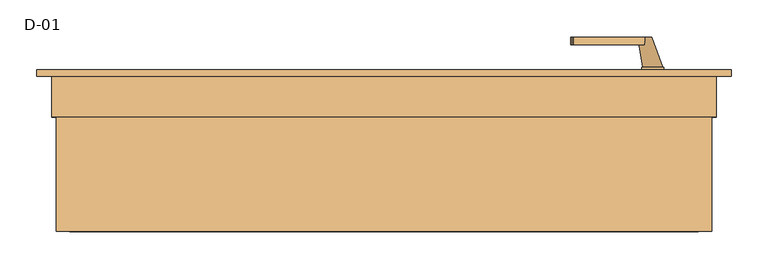
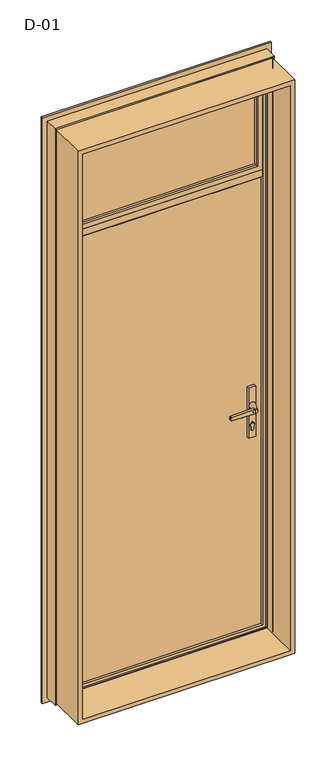
"""IFC4 building model written with IfcOpenShell, lengths in millimetres: door geometry, D-01."""

import ifcopenshell
import ifcopenshell.guid

model = None  # the IFC model being written
_history = None  # IfcOwnerHistory: only IFC2X3 demands one
_inside = {}  # id of a spatial element -> (the spatial element, [elements in it])
_under = {}  # id of a project, library or spatial element -> (it, [spatial elements below it])
_declared = {}  # id of a project -> (the project, [libraries it declares])
_typed = {}  # id of a type object -> (the type object, [elements of that type])
_made_of = {}  # id of a material, layer set ... -> (it, [elements and type objects made of it])


def new_model(schema):
    """Start an empty IFC model of exactly this schema.

    Asked for "IFC4X3", IfcOpenShell would pick the latest addendum, in which some entities
    have other attributes; the version numbers below select the first issue.
    IFC2X3 requires an IfcOwnerHistory on every rooted entity: one is made here for all.
    """
    global model, _history
    if schema == "IFC4X3":
        model = ifcopenshell.file(schema_version=(4, 3, 0, 0))
    else:
        model = ifcopenshell.file(schema=schema)
    _inside.clear()
    _under.clear()
    _declared.clear()
    _typed.clear()
    _made_of.clear()
    _history = None
    if model.schema == "IFC2X3":
        org = make("IfcOrganization", Name="unknown")
        user = make(
            "IfcPersonAndOrganization",
            ThePerson=make("IfcPerson", FamilyName="unknown"),
            TheOrganization=org,
        )
        app = make(
            "IfcApplication",
            ApplicationDeveloper=org,
            Version="unknown",
            ApplicationFullName="unknown",
            ApplicationIdentifier="unknown",
        )
        _history = make(
            "IfcOwnerHistory",
            OwningUser=user,
            OwningApplication=app,
            ChangeAction="ADDED",
            CreationDate=0,
        )
    return model


def make(cls, **values):
    """One entity of the class cls with the attributes given. An attribute that is None is left unset."""
    return model.create_entity(
        cls, **{name: value for name, value in values.items() if value is not None}
    )


def rooted(cls, **values):
    """An entity with a GlobalId (a new one), such as an element, a storey or a relation."""
    return make(cls, GlobalId=ifcopenshell.guid.new(), OwnerHistory=_history, **values)


def si_unit(unit_type, name, prefix=None):
    """IfcSIUnit, for example si_unit("LENGTHUNIT", "METRE", prefix="MILLI")."""
    return make("IfcSIUnit", UnitType=unit_type, Prefix=prefix, Name=name)


def assignment(units):
    """IfcUnitAssignment: the units of a project."""
    return None if units is None else make("IfcUnitAssignment", Units=units)


def point(xyz):
    """IfcCartesianPoint."""
    return None if xyz is None else make("IfcCartesianPoint", Coordinates=xyz)


def direction(xyz):
    """IfcDirection."""
    return None if xyz is None else make("IfcDirection", DirectionRatios=xyz)


def frame(location, z_axis=None, x_axis=None):
    """IfcAxis2Placement3D, a coordinate frame: its origin and axes. An axis left out is left unset."""
    return make(
        "IfcAxis2Placement3D",
        Location=point(location),
        Axis=direction(z_axis),
        RefDirection=direction(x_axis),
    )


def frame_2d(location, x_axis=None):
    """IfcAxis2Placement2D, a coordinate frame in the plane: its origin and x axis."""
    return make(
        "IfcAxis2Placement2D", Location=point(location), RefDirection=direction(x_axis)
    )


def origin():
    """The frame at (0, 0, 0) with its axes left unset."""
    return frame((0.0, 0.0, 0.0))


def place(relative_to, where):
    """IfcLocalPlacement: puts the frame where relative to a parent placement (None: the world)."""
    return make(
        "IfcLocalPlacement", PlacementRelTo=relative_to, RelativePlacement=where
    )


def context(
    kind, dimensions, precision=None, world=None, true_north=None, identifier=None
):
    """IfcGeometricRepresentationContext, for example the 3D "Model" context."""
    return make(
        "IfcGeometricRepresentationContext",
        ContextIdentifier=identifier,
        ContextType=kind,
        CoordinateSpaceDimension=dimensions,
        Precision=precision,
        WorldCoordinateSystem=world,
        TrueNorth=true_north,
    )


def project(units=None, contexts=None):
    """IfcProject with its units and contexts."""
    return rooted(
        "IfcProject",
        Name="project",
        RepresentationContexts=contexts,
        UnitsInContext=assignment(units),
    )


def spatial(cls, under=None, at=None, **own):
    """A site, building, storey or space (cls), placed at a placement, below another one or the project."""
    s = rooted(cls, ObjectPlacement=at, **own)
    if under is not None:
        _under.setdefault(under.id(), (under, []))[1].append(s)
    return s


def polyline(points):
    """IfcPolyline through the points."""
    return make("IfcPolyline", Points=[point(p) for p in points])


def circle_curve(where, radius):
    """IfcCircle in the frame where."""
    return make("IfcCircle", Position=where, Radius=radius)


def ellipse_curve(where, semi_axis1, semi_axis2):
    """IfcEllipse in the frame where."""
    return make(
        "IfcEllipse", Position=where, SemiAxis1=semi_axis1, SemiAxis2=semi_axis2
    )


def trimmed(basis, trim1, trim2, sense, master):
    """IfcTrimmedCurve: the piece of a basis curve between two trims."""
    return make(
        "IfcTrimmedCurve",
        BasisCurve=basis,
        Trim1=trim1,
        Trim2=trim2,
        SenseAgreement=sense,
        MasterRepresentation=master,
    )


def segment(curve, same_sense, transition):
    """IfcCompositeCurveSegment."""
    return make(
        "IfcCompositeCurveSegment",
        Transition=transition,
        SameSense=same_sense,
        ParentCurve=curve,
    )


def composite_curve(segments, self_intersect=None):
    """IfcCompositeCurve: segments joined end to end."""
    return make("IfcCompositeCurve", Segments=segments, SelfIntersect=self_intersect)


def outline(outer, holes=None, kind="AREA"):
    """IfcArbitraryClosedProfileDef: a profile drawn as a closed curve; with holes, ...WithVoids."""
    if holes is None:
        return make("IfcArbitraryClosedProfileDef", ProfileType=kind, OuterCurve=outer)
    return make(
        "IfcArbitraryProfileDefWithVoids",
        ProfileType=kind,
        OuterCurve=outer,
        InnerCurves=holes,
    )


def extrude(swept, where, along, depth):
    """IfcExtrudedAreaSolid: the profile swept, set in the frame where, extruded along a direction by depth."""
    return make(
        "IfcExtrudedAreaSolid",
        SweptArea=swept,
        Position=where,
        ExtrudedDirection=direction(along),
        Depth=depth,
    )


def shape(context_of_items, identifier, shape_type, items):
    """IfcShapeRepresentation: the items that make up one representation, for example the "Body"."""
    return make(
        "IfcShapeRepresentation",
        ContextOfItems=context_of_items,
        RepresentationIdentifier=identifier,
        RepresentationType=shape_type,
        Items=items,
    )


def source(mapping_origin, context_of_items, identifier, shape_type, items):
    """IfcRepresentationMap: a shape defined once, which mapped items show again and again."""
    return make(
        "IfcRepresentationMap",
        MappingOrigin=mapping_origin,
        MappedRepresentation=shape(context_of_items, identifier, shape_type, items),
    )


def transform(
    local_origin,
    x_axis=None,
    y_axis=None,
    z_axis=None,
    scale=None,
    scale2=None,
    scale3=None,
    uniform=True,
):
    """IfcCartesianTransformationOperator3D, or its non-uniform kind. x_axis, y_axis, z_axis: its Axis1, 2, 3."""
    if uniform:
        return make(
            "IfcCartesianTransformationOperator3D",
            Axis1=direction(x_axis),
            Axis2=direction(y_axis),
            LocalOrigin=point(local_origin),
            Scale=scale,
            Axis3=direction(z_axis),
        )
    return make(
        "IfcCartesianTransformationOperator3DnonUniform",
        Axis1=direction(x_axis),
        Axis2=direction(y_axis),
        LocalOrigin=point(local_origin),
        Scale=scale,
        Axis3=direction(z_axis),
        Scale2=scale2,
        Scale3=scale3,
    )


def mapped(mapping_source, mapping_target):
    """IfcMappedItem: shows the shape of a source again, moved by a transform."""
    return make(
        "IfcMappedItem", MappingSource=mapping_source, MappingTarget=mapping_target
    )


def made_of(thing, what):
    """Note that an element or type object is made of a material, layer set ...; save() writes the relation."""
    if what is not None:
        _made_of.setdefault(what.id(), (what, []))[1].append(thing)
    return thing


def element(
    cls,
    number,
    at=None,
    inside=None,
    cuts=None,
    type_object=None,
    material=None,
    context=None,
    identifier="Body",
    shape_type=None,
    held_by="IfcProductDefinitionShape",
    body=None,
    shapes=None,
    **own,
):
    """One element of the class cls, such as IfcWall. Its Tag is "e" and its number.

    at: its placement. inside: the storey or other place that contains it. cuts: it is an
    opening in that element (IfcRelVoidsElement). A single representation is given by context,
    identifier, shape_type and body (its items); several are given by shapes. held_by: the class
    of the entity that holds the representations. save() writes the other relations.
    """
    e = rooted(cls, Tag="e%d" % number, ObjectPlacement=at, **own)
    if body is not None:
        shapes = [shape(context, identifier, shape_type, body)]
    if shapes is not None:
        e.Representation = make(held_by, Representations=shapes)
    if inside is not None:
        _inside.setdefault(inside.id(), (inside, []))[1].append(e)
    if cuts is not None:
        rooted(
            "IfcRelVoidsElement", RelatingBuildingElement=cuts, RelatedOpeningElement=e
        )
    if type_object is not None:
        _typed.setdefault(type_object.id(), (type_object, []))[1].append(e)
    return made_of(e, material)


def aggregate(whole, parts):
    """IfcRelAggregates: a whole, such as a stair, and the parts it consists of."""
    return rooted("IfcRelAggregates", RelatingObject=whole, RelatedObjects=parts)


def save(model, path):
    """Write the relations noted so far, then the file.

    IfcRelAggregates (storeys below a building ...), IfcRelContainedInSpatialStructure (elements
    in a storey), IfcRelDefinesByType, IfcRelAssociatesMaterial and IfcRelDeclares: one each for
    every whole, place, type object, material and project.
    """
    for whole, parts in _under.values():
        aggregate(whole, parts)
    for where, things in _inside.values():
        rooted(
            "IfcRelContainedInSpatialStructure",
            RelatedElements=things,
            RelatingStructure=where,
        )
    for kind, things in _typed.values():
        rooted("IfcRelDefinesByType", RelatedObjects=things, RelatingType=kind)
    for what, things in _made_of.values():
        rooted("IfcRelAssociatesMaterial", RelatedObjects=things, RelatingMaterial=what)
    for by, libraries in _declared.values():
        rooted("IfcRelDeclares", RelatingContext=by, RelatedDefinitions=libraries)
    model.write(path)


def plane_surface(at):
    """IfcPlane: the flat surface through the origin of the frame at, square to its z axis."""
    return make("IfcPlane", Position=at)


def cylinder_surface(at, radius):
    """IfcCylindricalSurface: all points at the distance radius from the z axis of the frame at."""
    return make("IfcCylindricalSurface", Position=at, Radius=radius)


def revolved_surface(curve, axis_point, axis_direction):
    """IfcSurfaceOfRevolution: the curve turned about the line through axis_point along axis_direction."""
    return make(
        "IfcSurfaceOfRevolution",
        SweptCurve=make("IfcArbitraryOpenProfileDef", ProfileType="CURVE", Curve=curve),
        AxisPosition=make("IfcAxis1Placement", Location=point(axis_point), Axis=direction(axis_direction)),
    )


def spline_surface(u_degree, v_degree, points, u_multiplicities, v_multiplicities, u_knots, v_knots, weights=None):
    """IfcBSplineSurfaceWithKnots; with weights, IfcRationalBSplineSurfaceWithKnots. points: one row for each step in u."""
    own = dict(
        UDegree=u_degree,
        VDegree=v_degree,
        ControlPointsList=[[point(p) for p in row] for row in points],
        SurfaceForm="UNSPECIFIED",
        UClosed=False,
        VClosed=False,
        SelfIntersect=False,
        UMultiplicities=u_multiplicities,
        VMultiplicities=v_multiplicities,
        UKnots=u_knots,
        VKnots=v_knots,
        KnotSpec="UNSPECIFIED",
    )
    if weights is None:
        return make("IfcBSplineSurfaceWithKnots", **own)
    return make("IfcRationalBSplineSurfaceWithKnots", WeightsData=weights, **own)


def advanced_brep(points, edges, surfaces, faces):
    """IfcAdvancedBrep: a solid bounded by faces that lie on surfaces and meet in shared edges.

    An edge is (start, end): straight between two places in points (the first is 0);
    or (start, end, curve); or (start, end, curve, False) where it runs against its curve.
    A face is (place in surfaces, loops), or (place, loops, False) where it looks against
    its surface's normal. A loop lists edges by number (the first is 1), with a minus sign
    where the edge is run from its end to its start. The first loop is the outer one.
    """
    corners = [point(p) for p in points]
    vertices = [make("IfcVertexPoint", VertexGeometry=c) for c in corners]
    made = []
    for start, end, *more in edges:
        made.append(
            make(
                "IfcEdgeCurve",
                EdgeStart=vertices[start],
                EdgeEnd=vertices[end],
                EdgeGeometry=more[0] if more else make("IfcPolyline", Points=[corners[start], corners[end]]),
                SameSense=more[1] if len(more) > 1 else True,
            )
        )
    hull = []
    for where, loops, *sense in faces:
        bounds = []
        for j, loop in enumerate(loops):
            ring = [make("IfcOrientedEdge", EdgeElement=made[abs(k) - 1], Orientation=k > 0) for k in loop]
            bounds.append(
                make(
                    "IfcFaceOuterBound" if j == 0 else "IfcFaceBound",
                    Bound=make("IfcEdgeLoop", EdgeList=ring),
                    Orientation=True,
                )
            )
        hull.append(make("IfcAdvancedFace", Bounds=bounds, FaceSurface=surfaces[where], SameSense=sense[0] if sense else True))
    return make("IfcAdvancedBrep", Outer=make("IfcClosedShell", CfsFaces=hull))


def d_01_50da0c1a(model_context):
    return source(origin(), model_context, "Body", "SolidModel", [
        extrude(outline(polyline([(403.0, 113.6071222), (403.0, 87.6071222), (-403.0, 87.6071222), (-403.0, 113.6071222), (403.0, 113.6071222)])), frame((0.0, 0.0, 2022.0), z_axis=(0.0, 0.0, 1.0), x_axis=(1.0, 0.0, 0.0)), (0.0, 0.0, 1.0), 431.0),
        extrude(outline(polyline([(2493.8, 443.8), (2493.8, -443.8), (6.2, -443.8), (6.2, 443.8), (2493.8, 443.8)]), holes=[polyline([(24.7, 425.3), (24.7, -425.3), (2475.3, -425.3), (2475.3, 425.3), (24.7, 425.3)])]), frame((0.0, -100.0, 0.0), z_axis=(0.0, 1.0, 0.0), x_axis=(0.0, 0.0, 1.0)), (0.0, 0.0, 1.0), 165.9999813),
        advanced_brep(
        [(390.0, 80.27702, 2440.0), (387.8575034, 87.6071222, 2437.8575034), (387.8575034, 87.6071222, 2037.1424966), (390.0, 80.27702, 2035.0), (410.0, 87.6071222, 2015.0), (-410.0, 87.6071222, 2015.0), (-410.0, 87.6071222, 2460.0), (410.0, 87.6071222, 2460.0), (-387.8575034, 87.6071222, 2437.8575034), (-387.8575034, 87.6071222, 2037.1424966), (-390.0, 80.27702, 2035.0), (390.0, 68.9999298, 2440.0), (390.0, 68.9999298, 2035.0), (-390.0, 68.9999298, 2035.0), (410.0, 68.9999298, 2460.0), (-410.0, 68.9999298, 2460.0), (-410.0, 68.9999298, 2015.0), (410.0, 68.9999298, 2015.0), (-390.0, 68.9999298, 2440.0), (-390.0, 80.27702, 2440.0)],
        [
            (0, 1, ellipse_curve(frame((370.3925883, 78.5241839, 2420.3925883), z_axis=(-0.7071067811865475, 0.0, 0.7071067811865475), x_axis=(-0.7071067811865474, 0.0, -0.7071067811865476)), 27.839649, 19.6856046)),
            (1, 2),
            (2, 3, ellipse_curve(frame((370.3925883, 78.5241839, 2054.6074117), z_axis=(-0.7071067811865475, 0.0, -0.7071067811865475), x_axis=(0.7071067811865474, 0.0, -0.7071067811865476)), 27.839649, 19.6856046)),
            (3, 0),
            (4, 5),
            (5, 6),
            (6, 7),
            (7, 4),
            (1, 8),
            (8, 9),
            (9, 2),
            (9, 10, ellipse_curve(frame((-370.3925883, 78.5241839, 2054.6074117), z_axis=(-0.7071067811865475, 0.0, 0.7071067811865475), x_axis=(-0.7071067811865476, 0.0, -0.7071067811865474)), 27.839649, 19.6856046)),
            (10, 3),
            (11, 0),
            (3, 12),
            (12, 11),
            (10, 13),
            (13, 12),
            (14, 15),
            (15, 16),
            (16, 17),
            (17, 14),
            (13, 18),
            (18, 11),
            (7, 14),
            (17, 4),
            (16, 5),
            (8, 19, ellipse_curve(frame((-370.3925883, 78.5241839, 2420.3925883), z_axis=(0.7071067811865475, 0.0, 0.7071067811865475), x_axis=(-0.7071067811865474, 0.0, 0.7071067811865476)), 27.839649, 19.6856046)),
            (19, 10),
            (19, 18),
            (15, 6),
            (0, 19),
        ],
        [
            revolved_surface(polyline([(390.0781929, 78.5241839, 2034.9218071062464), (390.0781929, 78.5241839, 2440.0781928937536)]), (370.3925883, 78.5241839, 2460.0), (0.0, 0.0, -1.0)),
            plane_surface(frame((-410.0, 87.6071222, 2460.0), z_axis=(0.0, 1.0, 0.0), x_axis=(1.0, 0.0, 0.0))),
            revolved_surface(polyline([(-390.0781928937532, 78.5241839, 2034.9218070999998), (390.0781928937533, 78.5241839, 2034.9218070999998)]), (410.0, 78.5241839, 2054.6074117), (-1.0, 0.0, 0.0)),
            plane_surface(frame((390.0, 80.27702, 2440.0), z_axis=(-1.0, 0.0, 0.0), x_axis=(0.0, 0.0, -1.0))),
            plane_surface(frame((390.0, 80.27702, 2035.0), z_axis=(0.0, 0.0, 1.0), x_axis=(-1.0, 0.0, 0.0))),
            plane_surface(frame((-390.0, 68.9999298, 2440.0), z_axis=(0.0, -1.0, 0.0), x_axis=(1.0, 0.0, 0.0))),
            plane_surface(frame((410.0, 68.9999298, 2460.0), z_axis=(1.0, 0.0, 0.0), x_axis=(0.0, 0.0, -1.0))),
            plane_surface(frame((410.0, 68.9999298, 2015.0), z_axis=(0.0, 0.0, -1.0), x_axis=(-1.0, 0.0, 0.0))),
            revolved_surface(polyline([(-390.0781929, 78.5241839, 2440.0781928937536), (-390.0781929, 78.5241839, 2034.9218071062464)]), (-370.3925883, 78.5241839, 2015.0), (0.0, 0.0, 1.0)),
            plane_surface(frame((-390.0, 80.27702, 2035.0), z_axis=(1.0, 0.0, 0.0), x_axis=(0.0, 0.0, 1.0))),
            plane_surface(frame((-410.0, 68.9999298, 2015.0), z_axis=(-1.0, 0.0, 0.0), x_axis=(0.0, 0.0, 1.0))),
            revolved_surface(polyline([(390.0781928937532, 78.5241839, 2440.0781929), (-390.0781928937533, 78.5241839, 2440.0781929)]), (-410.0, 78.5241839, 2420.3925883), (1.0, 0.0, 0.0)),
            plane_surface(frame((-390.0, 80.27702, 2440.0), z_axis=(0.0, 0.0, -1.0), x_axis=(1.0, 0.0, 0.0))),
            plane_surface(frame((-410.0, 68.9999298, 2460.0), z_axis=(0.0, 0.0, 1.0), x_axis=(1.0, 0.0, 0.0))),
        ],
        [
            (0, [[1, 2, 3, 4]]),
            (1, [[5, 6, 7, 8], [9, 10, 11, -2]]),
            (2, [[-3, -11, 12, 13]]),
            (3, [[14, -4, 15, 16]]),
            (4, [[-15, -13, 17, 18]]),
            (5, [[19, 20, 21, 22], [-18, 23, 24, -16]]),
            (6, [[25, -22, 26, -8]]),
            (7, [[-26, -21, 27, -5]]),
            (8, [[-12, -10, 28, 29]]),
            (9, [[-17, -29, 30, -23]]),
            (10, [[-27, -20, 31, -6]]),
            (11, [[-28, -9, -1, 32]]),
            (12, [[-30, -32, -14, -24]]),
            (13, [[-31, -19, -25, -7]]),
        ],
    ),
        extrude(outline(polyline([(118.9999375, 1964.9999652), (115.3999375, 1964.9999652), (115.3999375, 1984.9999813), (68.9990172, 1984.9999813), (68.9990172, 2015.0000187), (115.3999375, 2015.0000187), (115.3999375, 2035.0000026), (118.9999375, 2035.0000026), (118.9999375, 1964.9999652)])), frame((-410.0, 0.0, 0.0), z_axis=(1.0, 0.0, 0.0), x_axis=(0.0, 1.0, 0.0)), (0.0, 0.0, 1.0), 820.0),
        extrude(outline(composite_curve([segment(trimmed(circle_curve(frame_2d((908.2, 364.0)), 5.0), [point((908.2, 359.0))], [point((908.2, 369.0))], False, "CARTESIAN"), True, "CONTINUOUS"), segment(polyline([(908.2, 369.0), (920.8261365, 369.0)]), True, "CONTINUOUS"), segment(trimmed(circle_curve(frame_2d((927.7, 364.0)), 8.5), [point((920.8261365, 369.0))], [point((920.8261365, 359.0))], False, "CARTESIAN"), True, "CONTINUOUS"), segment(polyline([(920.8261365, 359.0), (908.2, 359.0)]), True, "CONTINUOUS")], self_intersect=False)), frame((0.0, 112.2000063, 0.0), z_axis=(0.0, 1.0, 0.0), x_axis=(0.0, 0.0, 1.0)), (0.0, 0.0, 1.0), 11.0),
        extrude(outline(composite_curve([segment(polyline([(872.5, 378.9), (1091.0, 378.9)]), True, "CONTINUOUS"), segment(trimmed(circle_curve(frame_2d((994.8844339, 364.0)), 97.2636214), [point((1091.0, 378.9))], [point((1091.0, 349.1))], False, "CARTESIAN"), True, "CONTINUOUS"), segment(polyline([(1091.0, 349.1), (872.5, 349.1)]), True, "CONTINUOUS"), segment(trimmed(circle_curve(frame_2d((968.6155661, 364.0)), 97.2636214), [point((872.5, 349.1))], [point((872.5, 378.9))], False, "CARTESIAN"), True, "CONTINUOUS")], self_intersect=False), holes=[composite_curve([segment(trimmed(circle_curve(frame_2d((908.2, 364.0)), 5.0), [point((908.2, 369.0))], [point((908.2, 359.0))], True, "CARTESIAN"), True, "CONTINUOUS"), segment(polyline([(908.2, 359.0), (920.8261365, 359.0)]), True, "CONTINUOUS"), segment(trimmed(circle_curve(frame_2d((927.7, 364.0)), 8.5), [point((920.8261365, 359.0))], [point((920.8261365, 369.0))], True, "CARTESIAN"), True, "CONTINUOUS"), segment(polyline([(920.8261365, 369.0), (908.2, 369.0)]), True, "CONTINUOUS")], self_intersect=False)]), frame((0.0, 112.2000063, 0.0), z_axis=(0.0, 1.0, 0.0), x_axis=(0.0, 0.0, 1.0)), (0.0, 0.0, 1.0), 10.0),
        extrude(outline(composite_curve([segment(polyline([(1022.0, 353.0), (1019.4691269, 256.3498556)]), True, "CONTINUOUS"), segment(trimmed(circle_curve(frame_2d((1017.4698123, 256.4022095)), 2.0), [point((1019.4691269, 256.3498556))], [point((1017.9874503, 254.4703579))], False, "CARTESIAN"), True, "CONTINUOUS"), segment(polyline([(1017.9874503, 254.4703579), (1012.5, 253.0), (1007.0125497, 254.4703579)]), True, "CONTINUOUS"), segment(trimmed(circle_curve(frame_2d((1007.5301877, 256.4022095)), 2.0), [point((1007.0125497, 254.4703579))], [point((1005.5308731, 256.3498556))], False, "CARTESIAN"), True, "CONTINUOUS"), segment(polyline([(1005.5308731, 256.3498556), (1003.0, 353.0), (1022.0, 353.0)]), True, "CONTINUOUS")], self_intersect=False)), frame((0.0, 153.2000063, 0.0), z_axis=(0.0, 1.0, 0.0), x_axis=(0.0, 0.0, 1.0)), (0.0, 0.0, 1.0), 10.0),
        advanced_brep(
        [(362.5, 163.2000063, 1012.5), (343.5, 163.2000063, 1012.5), (377.4, 122.2000063, 1012.5), (350.6, 122.2000063, 1012.5)],
        [
            (0, 1, circle_curve(frame((353.0, 163.2000063, 1012.5), z_axis=(0.0, 1.0, 0.0), x_axis=(-1.0, 0.0, 0.0)), 9.5)),
            (1, 0, circle_curve(frame((353.0, 163.2000063, 1012.5), z_axis=(0.0, 1.0, 0.0), x_axis=(-1.0, 0.0, 0.0)), 9.5)),
            (2, 3, circle_curve(frame((364.0, 122.2000063, 1012.5), z_axis=(0.0, -1.0, 0.0), x_axis=(-1.0, 0.0, 0.0)), 13.4)),
            (3, 2, circle_curve(frame((364.0, 122.2000063, 1012.5), z_axis=(0.0, -1.0, 0.0), x_axis=(-1.0, 0.0, 0.0)), 13.4)),
            (3, 1),
            (0, 2),
        ],
        [
            plane_surface(frame((353.0, 163.2000063, 1012.5), z_axis=(0.0, 1.0, 0.0), x_axis=(0.0, 0.0, -1.0))),
            plane_surface(frame((364.0, 122.2000063, 1012.5), z_axis=(0.0, -1.0, 0.0), x_axis=(0.0, 0.0, -1.0))),
            spline_surface(2, 1, [[(377.4, 122.2000063, 1012.5), (362.5, 163.2000063, 1012.5)], [(377.4, 122.2000063, 999.1), (362.5, 163.2000063, 1003.0)], [(364.0, 122.2000063, 999.1), (353.0, 163.2000063, 1003.0)], [(350.6, 122.2000063, 999.1), (343.5, 163.2000063, 1003.0)], [(350.6, 122.2000063, 1012.5), (343.5, 163.2000063, 1012.5)]], [3, 2, 3], [2, 2], [0.0, 1.0, 2.0], [0.0, 1.0], weights=[[1.0, 1.0], [0.7071067811865476, 0.7071067811865476], [1.0, 1.0], [0.7071067811865476, 0.7071067811865476], [1.0, 1.0]]),
            spline_surface(2, 1, [[(350.6, 122.2000063, 1012.5), (343.5, 163.2000063, 1012.5)], [(350.6, 122.2000063, 1025.9), (343.5, 163.2000063, 1022.0)], [(364.0, 122.2000063, 1025.9), (353.0, 163.2000063, 1022.0)], [(377.4, 122.2000063, 1025.9), (362.5, 163.2000063, 1022.0)], [(377.4, 122.2000063, 1012.5), (362.5, 163.2000063, 1012.5)]], [3, 2, 3], [2, 2], [0.0, 1.0, 2.0], [0.0, 1.0], weights=[[1.0, 1.0], [0.7071067811865476, 0.7071067811865476], [1.0, 1.0], [0.7071067811865476, 0.7071067811865476], [1.0, 1.0]]),
        ],
        [
            (0, [[1, 2]]),
            (1, [[3, 4]]),
            (2, [[-4, 5, -1, 6]]),
            (3, [[-3, -6, -2, -5]]),
        ],
    ),
        extrude(outline(composite_curve([segment(trimmed(circle_curve(frame_2d((908.2, 364.0)), 5.0), [point((908.2, 359.0))], [point((908.2, 369.0))], False, "CARTESIAN"), True, "CONTINUOUS"), segment(polyline([(908.2, 369.0), (920.8261365, 369.0)]), True, "CONTINUOUS"), segment(trimmed(circle_curve(frame_2d((927.7, 364.0)), 8.5), [point((920.8261365, 369.0))], [point((920.8261365, 359.0))], False, "CARTESIAN"), True, "CONTINUOUS"), segment(polyline([(920.8261365, 359.0), (908.2, 359.0)]), True, "CONTINUOUS")], self_intersect=False)), frame((0.0, 62.2000063, 0.0), z_axis=(0.0, 1.0, 0.0), x_axis=(0.0, 0.0, 1.0)), (0.0, 0.0, 1.0), 11.0),
        extrude(outline(composite_curve([segment(polyline([(872.5, 378.9), (1091.0, 378.9)]), True, "CONTINUOUS"), segment(trimmed(circle_curve(frame_2d((994.8844339, 364.0)), 97.2636214), [point((1091.0, 378.9))], [point((1091.0, 349.1))], False, "CARTESIAN"), True, "CONTINUOUS"), segment(polyline([(1091.0, 349.1), (872.5, 349.1)]), True, "CONTINUOUS"), segment(trimmed(circle_curve(frame_2d((968.6155661, 364.0)), 97.2636214), [point((872.5, 349.1))], [point((872.5, 378.9))], False, "CARTESIAN"), True, "CONTINUOUS")], self_intersect=False), holes=[composite_curve([segment(trimmed(circle_curve(frame_2d((908.2, 364.0)), 5.0), [point((908.2, 369.0))], [point((908.2, 359.0))], True, "CARTESIAN"), True, "CONTINUOUS"), segment(polyline([(908.2, 359.0), (920.8261365, 359.0)]), True, "CONTINUOUS"), segment(trimmed(circle_curve(frame_2d((927.7, 364.0)), 8.5), [point((920.8261365, 359.0))], [point((920.8261365, 369.0))], True, "CARTESIAN"), True, "CONTINUOUS"), segment(polyline([(920.8261365, 369.0), (908.2, 369.0)]), True, "CONTINUOUS")], self_intersect=False)]), frame((0.0, 63.2000063, 0.0), z_axis=(0.0, 1.0, 0.0), x_axis=(0.0, 0.0, 1.0)), (0.0, 0.0, 1.0), 10.0),
        extrude(outline(composite_curve([segment(polyline([(1022.0, 353.0), (1019.4691269, 256.3498556)]), True, "CONTINUOUS"), segment(trimmed(circle_curve(frame_2d((1017.4698123, 256.4022095)), 2.0), [point((1019.4691269, 256.3498556))], [point((1017.9874503, 254.4703579))], False, "CARTESIAN"), True, "CONTINUOUS"), segment(polyline([(1017.9874503, 254.4703579), (1012.5, 253.0), (1007.0125497, 254.4703579)]), True, "CONTINUOUS"), segment(trimmed(circle_curve(frame_2d((1007.5301877, 256.4022095)), 2.0), [point((1007.0125497, 254.4703579))], [point((1005.5308731, 256.3498556))], False, "CARTESIAN"), True, "CONTINUOUS"), segment(polyline([(1005.5308731, 256.3498556), (1003.0, 353.0), (1022.0, 353.0)]), True, "CONTINUOUS")], self_intersect=False)), frame((0.0, 22.2000063, 0.0), z_axis=(0.0, 1.0, 0.0), x_axis=(0.0, 0.0, 1.0)), (0.0, 0.0, 1.0), 10.0),
        advanced_brep(
        [(362.5, 22.2000063, 1012.5), (343.5, 22.2000063, 1012.5), (377.4, 63.2000063, 1012.5), (350.6, 63.2000063, 1012.5)],
        [
            (0, 1, circle_curve(frame((353.0, 22.2000063, 1012.5), z_axis=(0.0, -1.0, 0.0), x_axis=(-1.0, 0.0, 0.0)), 9.5)),
            (1, 0, circle_curve(frame((353.0, 22.2000063, 1012.5), z_axis=(0.0, -1.0, 0.0), x_axis=(-1.0, 0.0, 0.0)), 9.5)),
            (2, 3, circle_curve(frame((364.0, 63.2000063, 1012.5), z_axis=(0.0, 1.0, 0.0), x_axis=(-1.0, 0.0, 0.0)), 13.4)),
            (3, 2, circle_curve(frame((364.0, 63.2000063, 1012.5), z_axis=(0.0, 1.0, 0.0), x_axis=(-1.0, 0.0, 0.0)), 13.4)),
            (2, 0),
            (1, 3),
        ],
        [
            plane_surface(frame((353.0, 22.2000063, 1012.5), z_axis=(0.0, -1.0, 0.0), x_axis=(0.0, 0.0, -1.0))),
            plane_surface(frame((364.0, 63.2000063, 1012.5), z_axis=(0.0, 1.0, 0.0), x_axis=(0.0, 0.0, -1.0))),
            spline_surface(1, 2, [[(377.4, 63.2000063, 1012.5), (377.4, 63.2000063, 999.1), (364.0, 63.2000063, 999.1), (350.6, 63.2000063, 999.1), (350.6, 63.2000063, 1012.5)], [(362.5, 22.2000063, 1012.5), (362.5, 22.2000063, 1003.0), (353.0, 22.2000063, 1003.0), (343.5, 22.2000063, 1003.0), (343.5, 22.2000063, 1012.5)]], [2, 2], [3, 2, 3], [0.0, 1.0], [0.0, 1.0, 2.0], weights=[[1.0, 0.7071067811865476, 1.0, 0.7071067811865476, 1.0], [1.0, 0.7071067811865476, 1.0, 0.7071067811865476, 1.0]]),
            spline_surface(1, 2, [[(350.6, 63.2000063, 1012.5), (350.6, 63.2000063, 1025.9), (364.0, 63.2000063, 1025.9), (377.4, 63.2000063, 1025.9), (377.4, 63.2000063, 1012.5)], [(343.5, 22.2000063, 1012.5), (343.5, 22.2000063, 1022.0), (353.0, 22.2000063, 1022.0), (362.5, 22.2000063, 1022.0), (362.5, 22.2000063, 1012.5)]], [2, 2], [3, 2, 3], [0.0, 1.0], [0.0, 1.0, 2.0], weights=[[1.0, 0.7071067811865476, 1.0, 0.7071067811865476, 1.0], [1.0, 0.7071067811865476, 1.0, 0.7071067811865476, 1.0]]),
        ],
        [
            (0, [[1, 2]]),
            (1, [[3, 4]]),
            (2, [[5, -2, 6, -3]]),
            (3, [[-6, -1, -5, -4]]),
        ],
    ),
        extrude(outline(polyline([(404.0, 73.2000063), (-405.0, 73.2000063), (-405.0, 112.2000063), (404.0, 112.2000063), (404.0, 73.2000063)])), frame((0.0, 0.0, 45.0), z_axis=(0.0, 0.0, 1.0), x_axis=(1.0, 0.0, 0.0)), (0.0, 0.0, 1.0), 1935.0),
        advanced_brep(
        [(470.000038, 110.0, 2520.000038), (470.000038, 110.0, -20.000038), (470.000038, 118.9999375, -20.000038), (470.000038, 118.9999375, 2520.000038), (-470.000038, 118.9999375, 2520.000038), (-470.000038, 118.9999375, -20.000038), (390.0004584, 118.9999375, 2440.0004584), (-390.0004584, 118.9999375, 2440.0004584), (-390.0004584, 118.9999375, 59.9995416), (390.0004584, 118.9999375, 59.9995416), (-470.000038, 110.0, -20.000038), (-470.000038, 110.0, 2520.000038), (-450.0, 110.0, 2500.0), (450.0, 110.0, 2500.0), (450.0, 110.0, 0.0), (-450.0, 110.0, 0.0), (450.0, 54.8507969, 2500.0), (450.0, 54.8507969, 0.0), (-450.0, 54.8507969, 0.0), (445.0001465, 54.8506112, 2495.0001465), (445.0001465, 54.8506112, 4.9998535), (-445.0001465, 54.8506112, 4.9998535), (445.0001465, 56.5920405, 2495.0001465), (445.0001465, 56.5920405, 4.9998535), (-445.0001465, 56.5920405, 4.9998535), (443.8001794, 56.5908144, 2493.8001794), (443.8001794, 56.5908144, 6.1998206), (-443.8001794, 56.5908144, 6.1998206), (443.8001794, 65.9999813, 2493.8001794), (443.8001794, 65.9999813, 6.1998206), (-443.8001794, 65.9999813, 6.1998206), (-443.8001794, 65.9999813, 2493.8001794), (-424.2001794, 65.9999813, 2474.2001794), (424.2001794, 65.9999813, 2474.2001794), (424.2001794, 65.9999813, 25.7998206), (-424.2001794, 65.9999813, 25.7998206), (424.2001794, 61.9999728, 2474.2001794), (424.2001794, 61.9999728, 25.7998206), (-424.2001794, 61.9999728, 25.7998206), (-424.2001794, 61.9999728, 2474.2001794), (-422.6156704, 61.9999728, 2472.6156704), (422.6156704, 61.9999728, 2472.6156704), (422.6156704, 61.9999728, 27.3843296), (-422.6156704, 61.9999728, 27.3843296), (422.8755675, 68.9999299, 2472.8755675), (422.8755675, 68.9999299, 27.1244325), (-422.8755675, 68.9999299, 27.1244325), (-422.8755675, 68.9999299, 2472.8755675), (-410.0002274, 68.9999299, 2460.0002274), (410.0002274, 68.9999299, 2460.0002274), (410.0002274, 68.9999299, 39.9997726), (-410.0002274, 68.9999299, 39.9997726), (410.0002274, 115.4000063, 2460.0002274), (410.0002274, 115.4000063, 39.9997726), (-410.0002274, 115.4000063, 39.9997726), (-410.0002274, 115.4000063, 2460.0002274), (-390.0004584, 115.4000063, 2440.0004584), (390.0004584, 115.4000063, 2440.0004584), (390.0004584, 115.4000063, 59.9995416), (-390.0004584, 115.4000063, 59.9995416), (-450.0, 54.8507969, 2500.0), (-445.0001465, 54.8506112, 2495.0001465), (-445.0001465, 56.5920405, 2495.0001465), (-443.8001794, 56.5908144, 2493.8001794)],
        [
            (0, 1),
            (1, 2),
            (2, 3),
            (3, 0),
            (4, 3),
            (2, 5),
            (5, 4),
            (6, 7),
            (7, 8),
            (8, 9),
            (9, 6),
            (1, 10),
            (10, 5),
            (0, 11),
            (11, 10),
            (12, 13),
            (13, 14),
            (14, 15),
            (15, 12),
            (16, 17),
            (17, 14),
            (13, 16),
            (17, 18),
            (18, 15),
            (19, 20),
            (20, 17, ellipse_curve(frame((447.5001465, 52.8785929, 2.4998535), z_axis=(-0.7071067811865475, 0.0, -0.7071067811865475), x_axis=(0.7071067811865474, 0.0, -0.7071067811865476)), 4.5030781, 3.184157)),
            (16, 19, ellipse_curve(frame((447.5001465, 52.8785929, 2497.5001465), z_axis=(-0.7071067811865475, 0.0, 0.7071067811865475), x_axis=(-0.7071067811865474, 0.0, -0.7071067811865476)), 4.5030781, 3.184157)),
            (20, 21),
            (21, 18, ellipse_curve(frame((-447.5001465, 52.8785929, 2.4998535), z_axis=(-0.7071067811865475, 0.0, 0.7071067811865475), x_axis=(-0.7071067811865476, 0.0, -0.7071067811865474)), 4.5030781, 3.184157)),
            (22, 23),
            (23, 20),
            (19, 22),
            (23, 24),
            (24, 21),
            (25, 26),
            (26, 23, ellipse_curve(frame((444.4001534, 56.6007652, 5.5998466), z_axis=(0.7071067811865475, 0.0, 0.7071067811865475), x_axis=(-0.7071067811865474, 0.0, 0.7071067811865476)), 0.8486081, 0.6000566)),
            (22, 25, ellipse_curve(frame((444.4001534, 56.6007652, 2494.4001534), z_axis=(0.7071067811865475, 0.0, -0.7071067811865475), x_axis=(0.7071067811865474, 0.0, 0.7071067811865476)), 0.8486081, 0.6000566)),
            (26, 27),
            (27, 24, ellipse_curve(frame((-444.4001534, 56.6007652, 5.5998466), z_axis=(0.7071067811865475, 0.0, -0.7071067811865475), x_axis=(0.7071067811865476, 0.0, 0.7071067811865474)), 0.8486081, 0.6000566)),
            (28, 29),
            (29, 26),
            (25, 28),
            (29, 30),
            (30, 27),
            (28, 31),
            (31, 30),
            (32, 33),
            (33, 34),
            (34, 35),
            (35, 32),
            (36, 37),
            (37, 34),
            (33, 36),
            (37, 38),
            (38, 35),
            (36, 39),
            (39, 38),
            (40, 41),
            (41, 42),
            (42, 43),
            (43, 40),
            (44, 45),
            (45, 42),
            (41, 44),
            (45, 46),
            (46, 43),
            (44, 47),
            (47, 46),
            (48, 49),
            (49, 50),
            (50, 51),
            (51, 48),
            (52, 53),
            (53, 50),
            (49, 52),
            (53, 54),
            (54, 51),
            (52, 55),
            (55, 54),
            (56, 57),
            (57, 58),
            (58, 59),
            (59, 56),
            (9, 58),
            (57, 6),
            (8, 59),
            (11, 4),
            (18, 60),
            (60, 12),
            (21, 61),
            (61, 60, ellipse_curve(frame((-447.5001465, 52.8785929, 2497.5001465), z_axis=(0.7071067811865475, 0.0, 0.7071067811865475), x_axis=(-0.7071067811865474, 0.0, 0.7071067811865476)), 4.5030781, 3.184157)),
            (24, 62),
            (62, 61),
            (27, 63),
            (63, 62, ellipse_curve(frame((-444.4001534, 56.6007652, 2494.4001534), z_axis=(-0.7071067811865475, 0.0, -0.7071067811865475), x_axis=(0.7071067811865474, 0.0, -0.7071067811865476)), 0.8486081, 0.6000566)),
            (31, 63),
            (39, 32),
            (47, 40),
            (55, 48),
            (7, 56),
            (60, 16),
            (61, 19),
            (62, 22),
            (63, 25),
        ],
        [
            plane_surface(frame((470.000038, 118.9999375, 2520.000038), z_axis=(1.0, 0.0, 0.0), x_axis=(0.0, 0.0, -1.0))),
            plane_surface(frame((-390.0004584, 118.9999375, 59.9995416), z_axis=(0.0, 1.0, 0.0), x_axis=(0.0, 0.0, 1.0))),
            plane_surface(frame((470.000038, 118.9999375, -20.000038), z_axis=(0.0, 0.0, -1.0), x_axis=(-1.0, 0.0, 0.0))),
            plane_surface(frame((-470.000038, 110.0, -20.000038), z_axis=(0.0, -1.0, 0.0), x_axis=(0.0, 0.0, 1.0))),
            plane_surface(frame((450.0, 110.0, 2500.0), z_axis=(1.0, 0.0, 0.0), x_axis=(0.0, 0.0, -1.0))),
            plane_surface(frame((450.0, 110.0, 0.0), z_axis=(0.0, 0.0, -1.0), x_axis=(-1.0, 0.0, 0.0))),
            revolved_surface(polyline([(450.68430350000006, 52.8785929, -0.6843035607225829), (450.68430350000006, 52.8785929, 2500.6843035607226)]), (447.5001465, 52.8785929, 2500.0), (0.0, 0.0, -1.0)),
            revolved_surface(polyline([(-450.6843035607227, 52.8785929, -0.6843035), (450.68430356072264, 52.8785929, -0.6843035)]), (450.0, 52.8785929, 2.4998535), (-1.0, 0.0, 0.0)),
            plane_surface(frame((445.0001465, 54.8506112, 2495.0001465), z_axis=(-1.0, 0.0, 0.0), x_axis=(0.0, 0.0, -1.0))),
            plane_surface(frame((445.0001465, 54.8506112, 4.9998535), z_axis=(0.0, 0.0, 1.0), x_axis=(-1.0, 0.0, 0.0))),
            cylinder_surface(frame((444.4001534, 56.6007652, 2500.0), z_axis=(0.0, 0.0, 1.0), x_axis=(1.0, 0.0, 0.0)), 0.6000566),
            cylinder_surface(frame((450.0, 56.6007652, 5.5998466), z_axis=(1.0, 0.0, 0.0), x_axis=(0.0, 0.0, -1.0)), 0.6000566),
            plane_surface(frame((443.8001794, 56.5908144, 2493.8001794), z_axis=(-1.0, 0.0, 0.0), x_axis=(0.0, 0.0, -1.0))),
            plane_surface(frame((443.8001794, 56.5908144, 6.1998206), z_axis=(0.0, 0.0, 1.0), x_axis=(-1.0, 0.0, 0.0))),
            plane_surface(frame((-443.8001794, 65.9999813, 6.1998206), z_axis=(0.0, -1.0, 0.0), x_axis=(0.0, 0.0, 1.0))),
            plane_surface(frame((424.2001794, 65.9999813, 2474.2001794), z_axis=(1.0, 0.0, 0.0), x_axis=(0.0, 0.0, -1.0))),
            plane_surface(frame((424.2001794, 65.9999813, 25.7998206), z_axis=(0.0, 0.0, -1.0), x_axis=(-1.0, 0.0, 0.0))),
            plane_surface(frame((-424.2001794, 61.9999728, 25.7998206), z_axis=(0.0, -1.0, 0.0), x_axis=(0.0, 0.0, 1.0))),
            plane_surface(frame((422.6156704, 61.9999728, 2472.6156704), z_axis=(-0.9993114533203381, 0.03710282014609819, 0.0), x_axis=(0.0, 0.0, -1.0))),
            plane_surface(frame((422.6156704, 61.9999728, 27.3843296), z_axis=(0.0, 0.03710282014609207, 0.9993114533203383), x_axis=(-1.0, 0.0, 0.0))),
            plane_surface(frame((-422.8755675, 68.9999299, 27.1244325), z_axis=(0.0, -1.0, 0.0), x_axis=(0.0, 0.0, 1.0))),
            plane_surface(frame((410.0002274, 68.9999299, 2460.0002274), z_axis=(-1.0, 0.0, 0.0), x_axis=(0.0, 0.0, -1.0))),
            plane_surface(frame((410.0002274, 68.9999299, 39.9997726), z_axis=(0.0, 0.0, 1.0), x_axis=(-1.0, 0.0, 0.0))),
            plane_surface(frame((-410.0002274, 115.4000063, 39.9997726), z_axis=(0.0, -1.0, 0.0), x_axis=(0.0, 0.0, 1.0))),
            plane_surface(frame((390.0004584, 115.4000063, 2440.0004584), z_axis=(-1.0, 0.0, 0.0), x_axis=(0.0, 0.0, -1.0))),
            plane_surface(frame((390.0004584, 115.4000063, 59.9995416), z_axis=(0.0, 0.0, 1.0), x_axis=(-1.0, 0.0, 0.0))),
            plane_surface(frame((-470.000038, 118.9999375, -20.000038), z_axis=(-1.0, 0.0, 0.0), x_axis=(0.0, 0.0, 1.0))),
            plane_surface(frame((-450.0, 110.0, 0.0), z_axis=(-1.0, 0.0, 0.0), x_axis=(0.0, 0.0, 1.0))),
            revolved_surface(polyline([(-450.68430350000006, 52.8785929, 2500.6843035607226), (-450.68430350000006, 52.8785929, -0.6843035607226331)]), (-447.5001465, 52.8785929, 0.0), (0.0, 0.0, 1.0)),
            plane_surface(frame((-445.0001465, 54.8506112, 4.9998535), z_axis=(1.0, 0.0, 0.0), x_axis=(0.0, 0.0, 1.0))),
            cylinder_surface(frame((-444.4001534, 56.6007652, 0.0), z_axis=(0.0, 0.0, -1.0), x_axis=(-1.0, 0.0, 0.0)), 0.6000566),
            plane_surface(frame((-443.8001794, 56.5908144, 6.1998206), z_axis=(1.0, 0.0, 0.0), x_axis=(0.0, 0.0, 1.0))),
            plane_surface(frame((-424.2001794, 65.9999813, 25.7998206), z_axis=(-1.0, 0.0, 0.0), x_axis=(0.0, 0.0, 1.0))),
            plane_surface(frame((-422.6156704, 61.9999728, 27.3843296), z_axis=(0.9993114533203387, 0.03710282014608596, 0.0), x_axis=(0.0, 0.0, 1.0))),
            plane_surface(frame((-410.0002274, 68.9999299, 39.9997726), z_axis=(1.0, 0.0, 0.0), x_axis=(0.0, 0.0, 1.0))),
            plane_surface(frame((-390.0004584, 115.4000063, 59.9995416), z_axis=(1.0, 0.0, 0.0), x_axis=(0.0, 0.0, 1.0))),
            plane_surface(frame((-470.000038, 118.9999375, 2520.000038), z_axis=(0.0, 0.0, 1.0), x_axis=(1.0, 0.0, 0.0))),
            plane_surface(frame((-450.0, 110.0, 2500.0), z_axis=(0.0, 0.0, 1.0), x_axis=(1.0, 0.0, 0.0))),
            revolved_surface(polyline([(450.6843035607227, 52.8785929, 2500.6843035), (-450.68430356072264, 52.8785929, 2500.6843035)]), (-450.0, 52.8785929, 2497.5001465), (1.0, 0.0, 0.0)),
            plane_surface(frame((-445.0001465, 54.8506112, 2495.0001465), z_axis=(0.0, 0.0, -1.0), x_axis=(1.0, 0.0, 0.0))),
            cylinder_surface(frame((-450.0, 56.6007652, 2494.4001534), z_axis=(-1.0, 0.0, 0.0), x_axis=(0.0, 0.0, 1.0)), 0.6000566),
            plane_surface(frame((-443.8001794, 56.5908144, 2493.8001794), z_axis=(0.0, 0.0, -1.0), x_axis=(1.0, 0.0, 0.0))),
            plane_surface(frame((-424.2001794, 65.9999813, 2474.2001794), z_axis=(0.0, 0.0, 1.0), x_axis=(1.0, 0.0, 0.0))),
            plane_surface(frame((-422.6156704, 61.9999728, 2472.6156704), z_axis=(0.0, 0.03710282014609207, -0.9993114533203383), x_axis=(1.0, 0.0, 0.0))),
            plane_surface(frame((-410.0002274, 68.9999299, 2460.0002274), z_axis=(0.0, 0.0, -1.0), x_axis=(1.0, 0.0, 0.0))),
            plane_surface(frame((-390.0004584, 115.4000063, 2440.0004584), z_axis=(0.0, 0.0, -1.0), x_axis=(1.0, 0.0, 0.0))),
        ],
        [
            (0, [[1, 2, 3, 4]]),
            (1, [[5, -3, 6, 7], [8, 9, 10, 11]]),
            (2, [[12, 13, -6, -2]]),
            (3, [[14, 15, -12, -1], [16, 17, 18, 19]]),
            (4, [[20, 21, -17, 22]]),
            (5, [[23, 24, -18, -21]]),
            (6, [[25, 26, -20, 27]]),
            (7, [[28, 29, -23, -26]]),
            (8, [[30, 31, -25, 32]]),
            (9, [[33, 34, -28, -31]]),
            (10, [[35, 36, -30, 37]]),
            (11, [[38, 39, -33, -36]]),
            (12, [[40, 41, -35, 42]]),
            (13, [[43, 44, -38, -41]]),
            (14, [[45, 46, -43, -40], [47, 48, 49, 50]]),
            (15, [[51, 52, -48, 53]]),
            (16, [[54, 55, -49, -52]]),
            (17, [[56, 57, -54, -51], [58, 59, 60, 61]]),
            (18, [[62, 63, -59, 64]]),
            (19, [[65, 66, -60, -63]]),
            (20, [[67, 68, -65, -62], [69, 70, 71, 72]]),
            (21, [[73, 74, -70, 75]]),
            (22, [[76, 77, -71, -74]]),
            (23, [[78, 79, -76, -73], [80, 81, 82, 83]]),
            (24, [[-11, 84, -81, 85]]),
            (25, [[-10, 86, -82, -84]]),
            (26, [[-15, 87, -7, -13]]),
            (27, [[88, 89, -19, -24]]),
            (28, [[90, 91, -88, -29]]),
            (29, [[92, 93, -90, -34]]),
            (30, [[94, 95, -92, -39]]),
            (31, [[-46, 96, -94, -44]]),
            (32, [[-57, 97, -50, -55]]),
            (33, [[-68, 98, -61, -66]]),
            (34, [[-79, 99, -72, -77]]),
            (35, [[-9, 100, -83, -86]]),
            (36, [[-14, -4, -5, -87]]),
            (37, [[101, -22, -16, -89]]),
            (38, [[102, -27, -101, -91]]),
            (39, [[103, -32, -102, -93]]),
            (40, [[104, -37, -103, -95]]),
            (41, [[-45, -42, -104, -96]]),
            (42, [[-56, -53, -47, -97]]),
            (43, [[-67, -64, -58, -98]]),
            (44, [[-78, -75, -69, -99]]),
            (45, [[-8, -85, -80, -100]]),
        ],
    ),
    ])


if __name__ == "__main__":
    model = new_model("IFC4")
    model_context = context("Model", 3, world=origin())
    ifc_project = project(units=[si_unit("LENGTHUNIT", "METRE", prefix="MILLI")], contexts=[model_context])
    site = spatial("IfcSite", under=ifc_project)
    building = spatial("IfcBuilding", under=site)
    placement = place(None, origin())
    d_01_shape = d_01_50da0c1a(model_context)
    element("IfcDoor", 1, ObjectType="D-01", at=placement, inside=building, context=model_context, shape_type="MappedRepresentation", body=[
        mapped(d_01_shape, transform((0.0, 0.0, 0.0), x_axis=(1.0, 0.0, 0.0), y_axis=(0.0, 1.0, 0.0), z_axis=(0.0, 0.0, 1.0))),
    ])
    save(model, "model.ifc")
